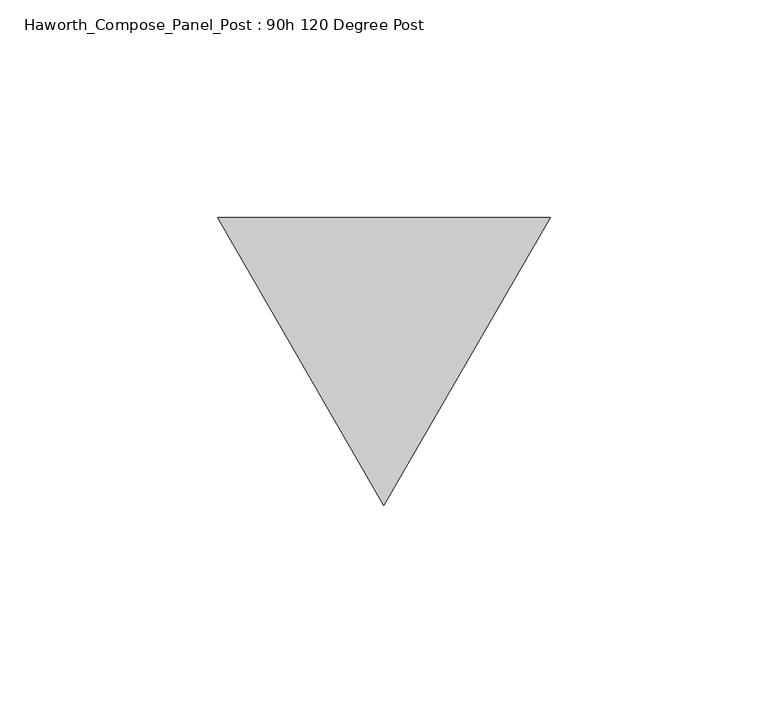
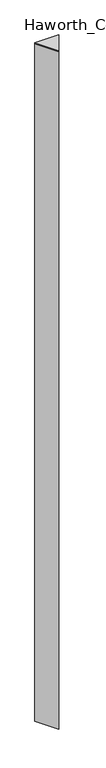
"""IFC4 building model written with IfcOpenShell, lengths in millimetres: furniture geometry, Haworth_Compose_Panel_Post : 90h 120 Degree Post."""

from ifc_helpers import new_model, si_unit, frame, origin, place, context, project, spatial, polyline, outline, extrude, source, transform, mapped, element, save


def haworth_compose_panel_post_90h_120_degree_post_27ae724d(model_context):
    return source(origin(), model_context, "Body", "SweptSolid", [
        extrude(outline(polyline([(76.2, 32.9955679), (38.1, -32.9955679), (0.0, 32.9955679), (76.2, 32.9955679)])), frame((0.0, 0.0, 2279.65), z_axis=(0.0, 0.0, 1.0), x_axis=(1.0, 0.0, 0.0)), (0.0, 0.0, 1.0), 3.175),
        extrude(outline(polyline([(76.2, 32.9955679), (38.1, -32.9955679), (0.0, 32.9955679), (76.2, 32.9955679)])), frame((0.0, 0.0, 12.7), z_axis=(0.0, 0.0, 1.0), x_axis=(1.0, 0.0, 0.0)), (0.0, 0.0, 1.0), 2266.95),
    ])


if __name__ == "__main__":
    model = new_model("IFC4")
    model_context = context("Model", 3, world=origin())
    ifc_project = project(units=[si_unit("LENGTHUNIT", "METRE", prefix="MILLI")], contexts=[model_context])
    site = spatial("IfcSite", under=ifc_project)
    building = spatial("IfcBuilding", under=site)
    placement = place(None, origin())
    haworth_compose_panel_post_90h_120_degree_post_shape = haworth_compose_panel_post_90h_120_degree_post_27ae724d(model_context)
    element("IfcFurniture", 1, ObjectType="Haworth_Compose_Panel_Post : 90h 120 Degree Post", at=placement, inside=building, context=model_context, shape_type="MappedRepresentation", body=[
        mapped(haworth_compose_panel_post_90h_120_degree_post_shape, transform((0.0, 0.0, 0.0), x_axis=(1.0, 0.0, 0.0), y_axis=(0.0, 1.0, 0.0), z_axis=(0.0, 0.0, 1.0))),
    ])
    save(model, "model.ifc")
